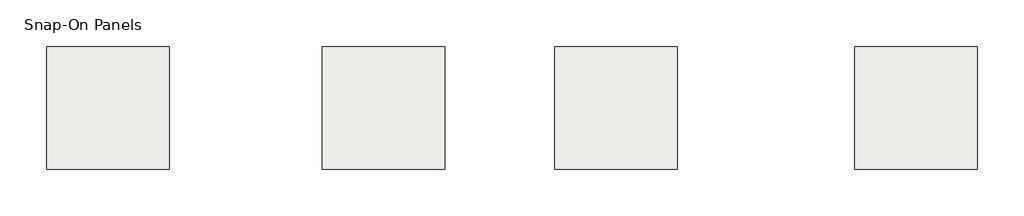
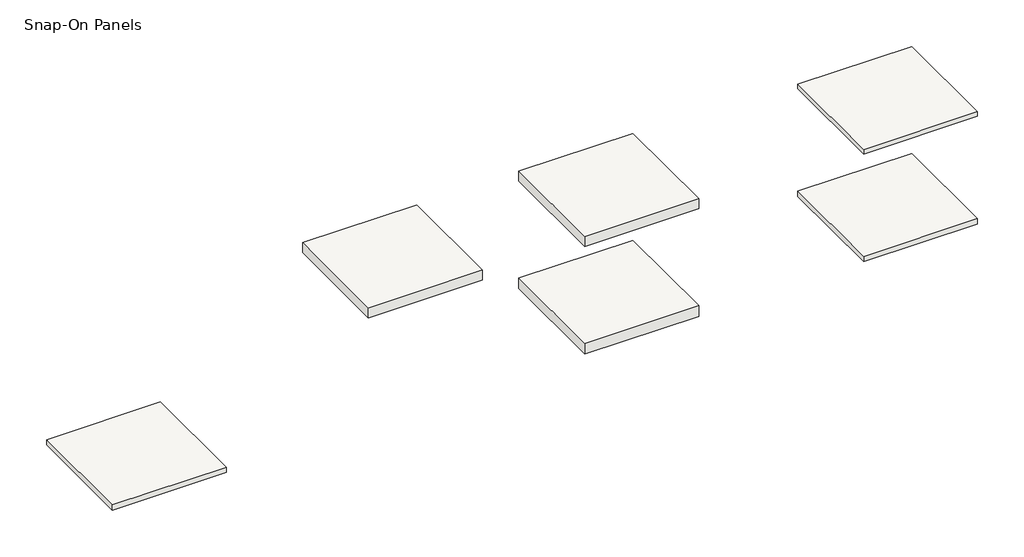
# One storey: 6 roofs.
"""IFC4 building model written with IfcOpenShell, lengths in millimetres."""

from ifc_helpers import new_model, si_unit, frame, origin, origin_with_axes, place, context, project, spatial, polyline, outline, extrude, element, save

model = new_model("IFC4")

# Units and contexts
model_context = context("Model", 3, world=origin())
ifc_project = project(units=[si_unit("LENGTHUNIT", "METRE", prefix="MILLI")], contexts=[model_context])

# Site, building, storey
site = spatial("IfcSite", under=ifc_project)
building = spatial("IfcBuilding", under=site)
storey = spatial("IfcBuildingStorey", under=building, Name="Snap-On Panels", Elevation=3048.0)

# Roofs
placement = place(None, origin())
element("IfcRoof", 1, at=placement, inside=storey, context=model_context, shape_type="SweptSolid", body=[
    extrude(outline(polyline([(-829.0706796, 16928.0611104), (2218.9293204, 16928.0611104), (2218.9293204, 13880.0611104), (-829.0706796, 13880.0611104), (-829.0706796, 16928.0611104)])), origin_with_axes(), (0.0, 0.0, 1.0), 150.8125),
])
element("IfcRoof", 2, at=placement, inside=storey, context=model_context, shape_type="SweptSolid", body=[
    extrude(outline(polyline([(-8296.6706796, 16928.0611104), (-5248.6706796, 16928.0611104), (-5248.6706796, 13880.0611104), (-8296.6706796, 13880.0611104), (-8296.6706796, 16928.0611104)])), origin_with_axes(), (0.0, 0.0, 1.0), 303.2125),
])
element("IfcRoof", 3, at=placement, inside=storey, context=model_context, shape_type="SweptSolid", body=[
    extrude(outline(polyline([(-20945.8706796, 16928.0611104), (-17897.8706796, 16928.0611104), (-17897.8706796, 13880.0611104), (-20945.8706796, 13880.0611104), (-20945.8706796, 16928.0611104)])), origin_with_axes(), (0.0, 0.0, 1.0), 150.8125),
])
element("IfcRoof", 4, at=placement, inside=storey, context=model_context, shape_type="SweptSolid", body=[
    extrude(outline(polyline([(-829.0706796, 16928.0611104), (2218.9293204, 16928.0611104), (2218.9293204, 13880.0611104), (-829.0706796, 13880.0611104), (-829.0706796, 16928.0611104)])), frame((0.0, 0.0, 3048.0), z_axis=(0.0, 0.0, 1.0), x_axis=(1.0, 0.0, 0.0)), (0.0, 0.0, 1.0), 131.7625),
])
element("IfcRoof", 5, at=placement, inside=storey, context=model_context, shape_type="SweptSolid", body=[
    extrude(outline(polyline([(-8296.6706796, 16928.0611104), (-5248.6706796, 16928.0611104), (-5248.6706796, 13880.0611104), (-8296.6706796, 13880.0611104), (-8296.6706796, 16928.0611104)])), frame((0.0, 0.0, 3048.0), z_axis=(0.0, 0.0, 1.0), x_axis=(1.0, 0.0, 0.0)), (0.0, 0.0, 1.0), 284.1625),
])
element("IfcRoof", 6, at=placement, inside=storey, context=model_context, shape_type="SweptSolid", body=[
    extrude(outline(polyline([(-14087.8706796, 16928.0611104), (-11039.8706796, 16928.0611104), (-11039.8706796, 13880.0611104), (-14087.8706796, 13880.0611104), (-14087.8706796, 16928.0611104)])), frame((0.0, 0.0, 3048.0), z_axis=(0.0, 0.0, 1.0), x_axis=(1.0, 0.0, 0.0)), (0.0, 0.0, 1.0), 287.3375),
])

save(model, "model.ifc")
